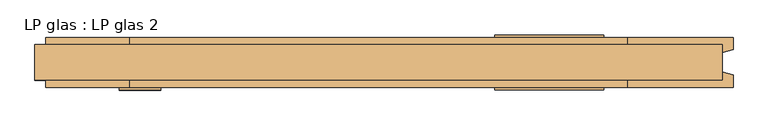
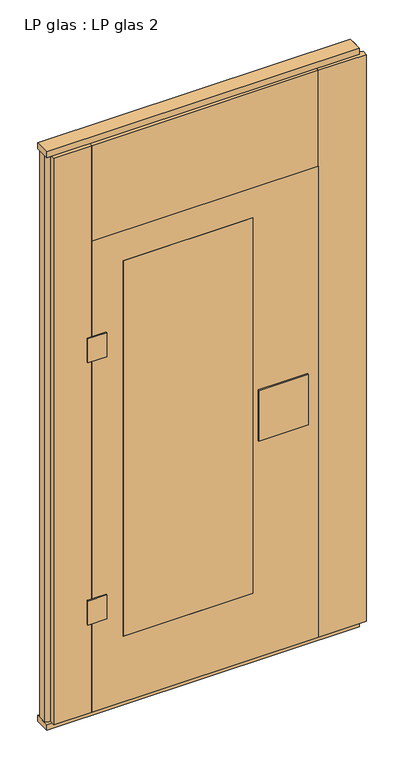
"""IFC4 building model written with IfcOpenShell, lengths in millimetres: door geometry, LP glas : LP glas 2."""

from ifc_helpers import new_model, si_unit, frame, origin, origin_with_axes, place, context, project, spatial, polyline, outline, extrude, source, transform, mapped, element, save


def lp_glas_lp_glas_2_019bd939(model_context):
    return source(origin(), model_context, "Body", "SweptSolid", [
        extrude(outline(polyline([(-392.5, -45.0), (-392.5, -50.0), (-467.5, -50.0), (-467.5, -45.0), (-392.5, -45.0)])), frame((0.0, 0.0, 1500.0), z_axis=(0.0, 0.0, 1.0), x_axis=(1.0, 0.0, 0.0)), (0.0, 0.0, 1.0), 100.0),
        extrude(outline(polyline([(-392.5, -45.0), (-392.5, -50.0), (-467.5, -50.0), (-467.5, -45.0), (-392.5, -45.0)])), frame((0.0, 0.0, 400.0), z_axis=(0.0, 0.0, 1.0), x_axis=(1.0, 0.0, 0.0)), (0.0, 0.0, 1.0), 100.0),
        extrude(outline(polyline([(-325.0, -45.0), (-325.0, 45.0), (190.0, 45.0), (190.0, -45.0), (-325.0, -45.0)])), frame((0.0, 0.0, 300.0), z_axis=(0.0, 0.0, 1.0), x_axis=(1.0, 0.0, 0.0)), (0.0, 0.0, 1.0), 1575.0),
        extrude(outline(polyline([(210.0, -50.0), (210.0, -45.0), (407.0, -45.0), (407.0, -50.0), (210.0, -50.0)])), frame((0.0, 0.0, 934.0), z_axis=(0.0, 0.0, 1.0), x_axis=(1.0, 0.0, 0.0)), (0.0, 0.0, 1.0), 212.0),
        extrude(outline(polyline([(210.0, 45.0), (210.0, 50.0), (407.0, 50.0), (407.0, 45.0), (210.0, 45.0)])), frame((0.0, 0.0, 934.0), z_axis=(0.0, 0.0, 1.0), x_axis=(1.0, 0.0, 0.0)), (0.0, 0.0, 1.0), 212.0),
        extrude(outline(polyline([(25.0, -450.0), (25.0, 450.0), (2000.0, 450.0), (2000.0, -450.0), (25.0, -450.0)]), holes=[polyline([(300.0, 190.0), (300.0, -325.0), (1875.0, -325.0), (1875.0, 190.0), (300.0, 190.0)])]), frame((0.0, -45.0, 0.0), z_axis=(0.0, 1.0, 0.0), x_axis=(0.0, 0.0, 1.0)), (0.0, 0.0, 1.0), 90.0),
        extrude(outline(polyline([(620.0, 32.0), (620.0, -32.0), (-620.0, -32.0), (-620.0, 32.0), (620.0, 32.0)])), origin_with_axes(), (0.0, 0.0, 1.0), 25.0),
        extrude(outline(polyline([(620.0, 32.0), (620.0, -32.0), (-620.0, -32.0), (-620.0, 32.0), (620.0, 32.0)])), frame((0.0, 0.0, 2402.0), z_axis=(0.0, 0.0, 1.0), x_axis=(1.0, 0.0, 0.0)), (0.0, 0.0, 1.0), 25.0),
        extrude(outline(polyline([(-600.0, -45.0), (-600.0, -22.9993165), (-620.0, -17.6401049), (-620.0, 17.6401049), (-600.0, 22.9993165), (-600.0, 45.0), (-450.0, 45.0), (-450.0, -45.0), (-600.0, -45.0)])), frame((0.0, 0.0, 25.0), z_axis=(0.0, 0.0, 1.0), x_axis=(1.0, 0.0, 0.0)), (0.0, 0.0, 1.0), 2377.0),
        extrude(outline(polyline([(450.0, -45.0), (450.0, 45.0), (639.9999999, 45.0), (639.9999999, 22.9993165), (619.9999999, 17.6401049), (619.9999999, -17.6401049), (639.9999999, -22.9993165), (639.9999999, -45.0), (450.0, -45.0)])), frame((0.0, 0.0, 25.0), z_axis=(0.0, 0.0, 1.0), x_axis=(1.0, 0.0, 0.0)), (0.0, 0.0, 1.0), 2377.0),
        extrude(outline(polyline([(450.0, 45.0), (450.0, -45.0), (-450.0, -45.0), (-450.0, 45.0), (450.0, 45.0)])), frame((0.0, 0.0, 2000.0), z_axis=(0.0, 0.0, 1.0), x_axis=(1.0, 0.0, 0.0)), (0.0, 0.0, 1.0), 402.0),
    ])


if __name__ == "__main__":
    model = new_model("IFC4")
    model_context = context("Model", 3, world=origin())
    ifc_project = project(units=[si_unit("LENGTHUNIT", "METRE", prefix="MILLI")], contexts=[model_context])
    site = spatial("IfcSite", under=ifc_project)
    building = spatial("IfcBuilding", under=site)
    placement = place(None, origin())
    lp_glas_lp_glas_2_shape = lp_glas_lp_glas_2_019bd939(model_context)
    element("IfcDoor", 1, ObjectType="LP glas : LP glas 2", at=placement, inside=building, context=model_context, shape_type="MappedRepresentation", body=[
        mapped(lp_glas_lp_glas_2_shape, transform((0.0, 0.0, 0.0), x_axis=(1.0, 0.0, 0.0), y_axis=(0.0, 1.0, 0.0), z_axis=(0.0, 0.0, 1.0))),
    ])
    save(model, "model.ifc")
